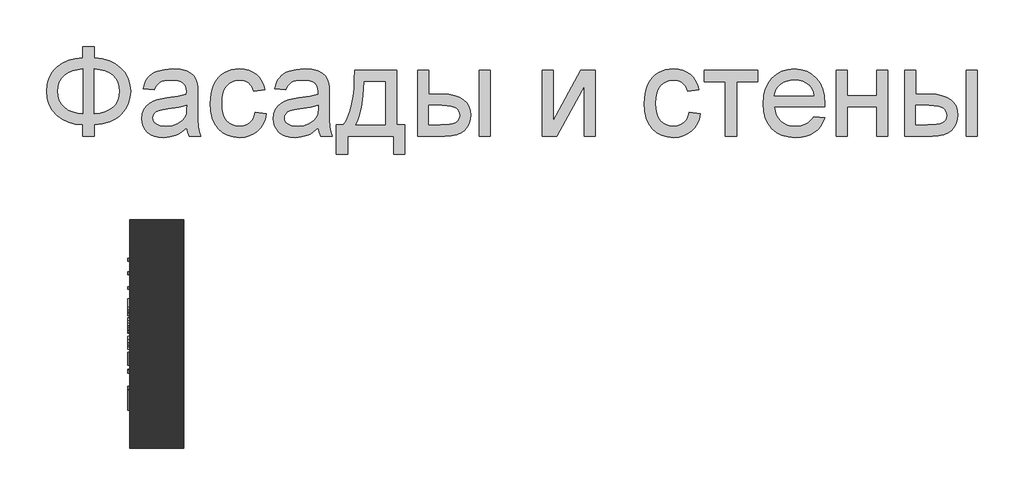
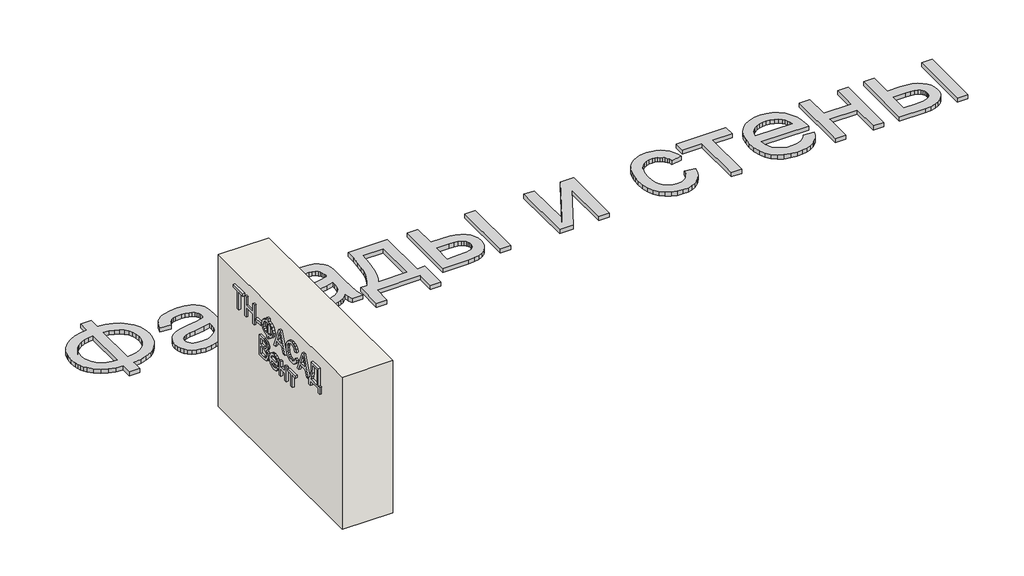
# One storey: 2 proxies, 1 wall.
"""IFC4 building model written with IfcOpenShell, lengths in millimetres."""

from ifc_helpers import new_model, si_unit, frame, origin, origin_with_axes, place, context, project, spatial, polyline, outline, extrude, element, save

model = new_model("IFC4")

# Units and contexts
model_context = context("Model", 3, world=origin())
ifc_project = project(units=[si_unit("LENGTHUNIT", "METRE", prefix="MILLI")], contexts=[model_context])

# Site, building, storey
site = spatial("IfcSite", under=ifc_project)
building = spatial("IfcBuilding", under=site)
storey = spatial("IfcBuildingStorey", under=building, Elevation=0.0)

# Proxies
placement = place(None, origin())
element("IfcBuildingElementProxy", 1, Name="Generic Models", at=placement, inside=storey, context=model_context, shape_type="SweptSolid", body=[
    extrude(outline(polyline([(-1939.8736325, -20885.7211043), (-1939.8736325, -20787.7817103), (-1841.9342386, -20787.7817103), (-1841.9342386, -20885.7211043), (-1772.0723186, -20894.3529698), (-1709.9695132, -20912.2144755), (-1655.6258224, -20939.3056213), (-1609.0412461, -20975.6264073), (-1571.6743546, -21019.0607113), (-1544.9837177, -21067.4924111), (-1528.9693356, -21120.9215067), (-1523.6312083, -21179.3479982), (-1528.8019587, -21236.6028514), (-1544.3142102, -21289.3863505), (-1570.1679625, -21337.6984954), (-1606.3632158, -21381.5392861), (-1628.1416397, -21401.1761824), (-1652.1109076, -21418.4817577), (-1706.6219753, -21446.0989452), (-1769.896419, -21464.3908486), (-1841.9342386, -21473.3574679), (-1841.9342386, -21571.2968619), (-1939.8736325, -21571.2968619), (-1939.8736325, -21473.3574679), (-2005.3060425, -21466.0586398), (-2065.0237272, -21449.518216), (-2119.0266865, -21423.7361966), (-2167.3149204, -21388.7125816), (-2207.0669327, -21345.8939854), (-2222.6837947, -21322.10405), (-2235.4612272, -21296.7270228), (-2245.3992303, -21269.7629041), (-2252.4978039, -21241.2116938), (-2258.1766628, -21179.3479982), (-2252.5157371, -21117.2033486), (-2245.4395801, -21088.5878775), (-2235.5329602, -21061.6103088), (-2222.7958774, -21036.2706426), (-2207.2283318, -21012.5688789), (-2188.8303234, -20990.5050176), (-2167.6018522, -20970.0790588), (-2119.4032845, -20935.3961753), (-2065.382392, -20909.775555), (-2005.5391746, -20893.217198), (-1939.8736325, -20885.7211043)]), holes=[polyline([(-1841.9342386, -20983.6604982), (-1841.9342386, -21375.418074), (-1793.3949393, -21370.2234125), (-1750.3073446, -21359.2303372), (-1712.6714545, -21342.4388481), (-1680.4872689, -21319.8489452), (-1654.7112272, -21291.9627591), (-1636.2997689, -21259.2824206), (-1625.2528939, -21221.8079296), (-1621.5706022, -21179.5392861), (-1625.1871387, -21137.922217), (-1636.036748, -21100.872146), (-1654.1194303, -21068.389073), (-1679.4351855, -21040.4729982), (-1711.2905951, -21017.6977852), (-1748.9922405, -21000.6372975), (-1792.5401216, -20989.2915352), (-1841.9342386, -20983.6604982)]), polyline([(-1939.8736325, -20983.6604982), (-1986.781007, -20988.5861611), (-2028.989873, -20999.3461043), (-2066.5002305, -21015.9403278), (-2099.3120795, -21038.3688316), (-2125.9668498, -21066.2012179), (-2145.0059715, -21099.0070891), (-2156.4294445, -21136.7864452), (-2160.2372689, -21179.5392861), (-2156.4772665, -21221.9035735), (-2145.1972594, -21259.4737085), (-2126.3972476, -21292.2496909), (-2100.077231, -21320.231521), (-2067.5044919, -21342.8692459), (-2029.9463124, -21359.612913), (-1987.4026926, -21370.4625224), (-1939.8736325, -21375.418074), (-1939.8736325, -20983.6604982)])]), origin_with_axes(), (0.0, 0.0, 1.0), 40.0),
    extrude(outline(polyline([(-1033.9342386, -21497.8423164), (-1080.7280359, -21537.964949), (-1104.6449985, -21552.8256261), (-1128.9086704, -21564.2192103), (-1179.5760473, -21578.7092672), (-1233.8300719, -21583.5392861), (-1277.4377305, -21580.6341014), (-1315.677373, -21571.9185475), (-1348.5489995, -21557.3926242), (-1376.0526098, -21537.0563316), (-1397.7697618, -21512.2008628), (-1413.2820132, -21484.1174111), (-1422.589364, -21452.8059764), (-1425.6918143, -21418.2665588), (-1421.0052613, -21377.6657066), (-1406.9456022, -21340.7949679), (-1385.2583389, -21309.2324679), (-1357.6889734, -21284.5563316), (-1325.2895889, -21265.9057634), (-1289.1122689, -21252.4199679), (-1204.3717386, -21237.6908013), (-1104.232534, -21222.1964831), (-1034.5081022, -21204.0241346), (-1033.9342386, -21182.2173164), (-1035.619963, -21158.4737085), (-1040.6771363, -21138.5080361), (-1049.1057585, -21122.3202994), (-1060.9058295, -21109.9104982), (-1081.3018996, -21097.5246081), (-1106.1454128, -21088.6775437), (-1135.4363693, -21083.369305), (-1169.1747689, -21081.5998922), (-1227.5175719, -21086.3103562), (-1250.0895416, -21092.1984362), (-1268.2618901, -21100.4417482), (-1283.1943001, -21111.6858888), (-1296.0464545, -21126.5764547), (-1306.8183532, -21145.1134457), (-1315.5099961, -21167.2968619), (-1413.4493901, -21155.0544376), (-1396.4486799, -21101.4938316), (-1384.810008, -21079.0175058), (-1371.0791249, -21059.4104982), (-1354.6642338, -21042.2782776), (-1334.9735378, -21027.2263126), (-1312.0070369, -21014.2546033), (-1285.764731, -21003.3631497), (-1225.5807821, -20988.5861611), (-1156.5497689, -20983.6604982), (-1090.3402518, -20988.0122975), (-1037.8556401, -21001.0676952), (-998.2829602, -21020.6986138), (-970.8092386, -21044.7769755), (-952.5890681, -21074.5461516), (-940.7770416, -21111.2495134), (-937.1903939, -21145.1074679), (-935.9948446, -21196.9464831), (-935.9948446, -21318.7968619), (-934.7514734, -21424.9377236), (-931.0213598, -21488.94743), (-923.6567764, -21531.0068524), (-911.5099961, -21571.2968619), (-1009.4493901, -21571.2968619), (-1025.1349961, -21537.2476194), (-1033.9342386, -21497.8423164)]), holes=[polyline([(-1033.9342386, -21301.9635285), (-1099.7372689, -21318.2708202), (-1191.9380264, -21331.9957255), (-1242.7488693, -21339.5037747), (-1276.2003371, -21347.8726194), (-1298.1267102, -21358.7282066), (-1314.3622689, -21373.6964831), (-1324.4048825, -21391.6297217), (-1327.7524204, -21411.3801952), (-1325.9292078, -21426.599537), (-1320.45957, -21440.5037747), (-1311.343507, -21453.0929083), (-1298.5810189, -21464.3669376), (-1282.2916604, -21473.6563552), (-1262.5949867, -21480.2916535), (-1212.9796931, -21485.5998922), (-1160.3755264, -21479.7417009), (-1136.3688977, -21472.4189618), (-1113.8925719, -21462.167127), (-1076.2088598, -21436.2715304), (-1050.0024204, -21405.450271), (-1038.3816818, -21373.6964831), (-1034.5081022, -21329.700271), (-1033.9342386, -21301.9635285)])]), origin_with_axes(), (0.0, 0.0, 1.0), 40.0),
    extrude(outline(polyline([(-434.0554507, -21363.1756497), (-336.1160568, -21375.418074), (-346.7684005, -21421.6320299), (-363.4224014, -21462.5257918), (-386.0780596, -21498.0993595), (-414.7353749, -21528.3527331), (-448.1868427, -21552.49685), (-485.2249583, -21569.7426478), (-525.8497215, -21580.0901265), (-570.0611325, -21583.5392861), (-624.9906425, -21578.7272004), (-674.2412935, -21564.2909433), (-717.8130856, -21540.2305148), (-755.7060189, -21506.5459149), (-786.3778347, -21463.8707847), (-808.2862746, -21412.8387653), (-821.4313385, -21353.4498567), (-825.8130264, -21285.7040588), (-823.9419919, -21240.6736966), (-818.3288882, -21198.5485191), (-808.9737154, -21159.3285262), (-795.8764734, -21123.0137179), (-778.9474961, -21090.3333794), (-758.0971174, -21062.0167956), (-733.3253371, -21038.0639665), (-704.6321552, -21018.4748922), (-673.3147428, -21003.2435948), (-640.6702708, -20992.3640967), (-606.698739, -20985.8363978), (-571.4001477, -20983.6604982), (-527.9479104, -20986.6493713), (-488.6442291, -20995.6159906), (-453.4891036, -21010.5603562), (-422.482534, -21031.4824679), (-396.150562, -21057.9041062), (-375.0192291, -21089.3470513), (-359.0885354, -21125.8113031), (-348.358481, -21167.2968619), (-446.2978749, -21179.5392861), (-453.9434123, -21156.6624513), (-464.0637367, -21136.8103562), (-476.6588479, -21119.9830006), (-491.7287461, -21106.1803846), (-508.8908555, -21095.4264192), (-527.7626003, -21087.7450153), (-548.3439805, -21083.1361729), (-570.6349961, -21081.5998922), (-603.9131093, -21084.6246317), (-633.927373, -21093.6988505), (-660.6777873, -21108.8225484), (-684.1643522, -21129.9957255), (-703.2871623, -21157.7085569), (-716.9463124, -21192.4512179), (-725.1418025, -21234.2237085), (-727.8736325, -21283.0260285), (-725.20158, -21332.5636114), (-717.1854223, -21374.8202994), (-703.8251595, -21409.7960924), (-685.1207916, -21437.4909906), (-662.1004909, -21458.5386351), (-635.7924299, -21473.5726668), (-606.1966084, -21482.5930858), (-573.3130264, -21485.5998922), (-546.8136775, -21483.7228799), (-522.5978276, -21478.0918429), (-500.6654767, -21468.7067814), (-481.0166249, -21455.5676952), (-464.2012248, -21438.5311185), (-450.7692291, -21417.4535853), (-440.7206377, -21392.3350958), (-434.0554507, -21363.1756497)])), origin_with_axes(), (0.0, 0.0, 1.0), 40.0),
    extrude(outline(polyline([(116.8536402, -21497.8423164), (70.0598429, -21537.964949), (46.1428803, -21552.8256261), (21.8792084, -21564.2192103), (-28.7881685, -21578.7092672), (-83.0421931, -21583.5392861), (-126.6498517, -21580.6341014), (-164.8894943, -21571.9185475), (-197.7611207, -21557.3926242), (-225.264731, -21537.0563316), (-246.981883, -21512.2008628), (-262.4941344, -21484.1174111), (-271.8014853, -21452.8059764), (-274.9039355, -21418.2665588), (-270.2173825, -21377.6657066), (-256.1577234, -21340.7949679), (-234.4704602, -21309.2324679), (-206.9010946, -21284.5563316), (-174.5017102, -21265.9057634), (-138.3243901, -21252.4199679), (-53.5838598, -21237.6908013), (46.5553448, -21222.1964831), (116.2797766, -21204.0241346), (116.8536402, -21182.2173164), (115.1679158, -21158.4737085), (110.1107425, -21138.5080361), (101.6821203, -21122.3202994), (89.8820493, -21109.9104982), (69.4859792, -21097.5246081), (44.642466, -21088.6775437), (15.3515095, -21083.369305), (-18.3868901, -21081.5998922), (-76.7296931, -21086.3103562), (-99.3016628, -21092.1984362), (-117.4740113, -21100.4417482), (-132.4064213, -21111.6858888), (-145.2585757, -21126.5764547), (-156.0304744, -21145.1134457), (-164.7221174, -21167.2968619), (-262.6615113, -21155.0544376), (-245.6608011, -21101.4938316), (-234.0221292, -21079.0175058), (-220.2912461, -21059.4104982), (-203.876355, -21042.2782776), (-184.185659, -21027.2263126), (-161.2191581, -21014.2546033), (-134.9768522, -21003.3631497), (-74.7929033, -20988.5861611), (-5.7618901, -20983.6604982), (60.447627, -20988.0122975), (112.9322387, -21001.0676952), (152.5049186, -21020.6986138), (179.9786402, -21044.7769755), (198.1988107, -21074.5461516), (210.0108372, -21111.2495134), (213.5974849, -21145.1074679), (214.7930342, -21196.9464831), (214.7930342, -21318.7968619), (216.0364054, -21424.9377236), (219.766519, -21488.94743), (227.1311023, -21531.0068524), (239.2778826, -21571.2968619), (141.3384887, -21571.2968619), (125.6528826, -21537.2476194), (116.8536402, -21497.8423164)]), holes=[polyline([(116.8536402, -21301.9635285), (51.0506099, -21318.2708202), (-41.1501477, -21331.9957255), (-91.9609905, -21339.5037747), (-125.4124583, -21347.8726194), (-147.3388314, -21358.7282066), (-163.5743901, -21373.6964831), (-173.6170037, -21391.6297217), (-176.9645416, -21411.3801952), (-175.141329, -21426.599537), (-169.6716912, -21440.5037747), (-160.5556282, -21453.0929083), (-147.7931401, -21464.3669376), (-131.5037817, -21473.6563552), (-111.8071079, -21480.2916535), (-62.1918143, -21485.5998922), (-9.5876477, -21479.7417009), (14.4189811, -21472.4189618), (36.8953069, -21462.167127), (74.579019, -21436.2715304), (100.7854584, -21405.450271), (112.406197, -21373.6964831), (116.2797766, -21329.700271), (116.8536402, -21301.9635285)])]), origin_with_axes(), (0.0, 0.0, 1.0), 40.0),
    extrude(outline(polyline([(435.1566705, -20995.9029225), (802.4293978, -20995.9029225), (802.4293978, -21473.3574679), (875.8839432, -21473.3574679), (875.8839432, -21730.448377), (777.9445493, -21730.448377), (777.9445493, -21571.2968619), (373.9445493, -21571.2968619), (373.9445493, -21730.448377), (276.0051554, -21730.448377), (276.0051554, -21473.3574679), (337.2172766, -21473.3574679), (361.1342392, -21436.3970631), (381.7156194, -21392.9448259), (398.9614172, -21343.0007563), (412.8716326, -21286.5648543), (423.4462657, -21223.6371199), (430.6853164, -21154.2175531), (434.5887846, -21078.306154), (435.1566705, -20995.9029225)]), holes=[polyline([(520.8536402, -21093.8423164), (512.8195493, -21213.7559054), (497.8990948, -21316.979627), (476.0922766, -21403.5134812), (462.6064811, -21440.521708), (447.3990948, -21473.3574679), (704.4900039, -21473.3574679), (704.4900039, -21093.8423164), (520.8536402, -21093.8423164)])]), origin_with_axes(), (0.0, 0.0, 1.0), 40.0),
    extrude(outline(polyline([(986.0657614, -20995.9029225), (1084.0051554, -20995.9029225), (1084.0051554, -21204.0241346), (1205.0903826, -21204.0241346), (1260.8089551, -21207.0907184), (1309.7487633, -21216.2904698), (1351.9098074, -21231.6233888), (1387.2920872, -21253.0894755), (1415.2858727, -21279.9474892), (1435.2814338, -21311.4561895), (1447.2787704, -21347.6155763), (1451.2778826, -21388.4256497), (1447.924367, -21424.8361019), (1437.8638201, -21458.5087463), (1421.096242, -21489.443583), (1397.6216326, -21517.6406119), (1366.7824399, -21541.1152212), (1327.9211118, -21557.8827994), (1281.0376483, -21567.9433462), (1226.1320493, -21571.2968619), (986.0657614, -21571.2968619), (986.0657614, -20995.9029225)]), holes=[polyline([(1084.0051554, -21473.3574679), (1184.6225796, -21473.3574679), (1262.6202122, -21468.2166062), (1291.8274802, -21461.790529), (1314.5070493, -21452.794021), (1331.495804, -21441.0716606), (1343.6306289, -21426.4680266), (1350.9115237, -21408.983119), (1353.3384887, -21388.6169376), (1351.5391871, -21372.1542245), (1346.1412823, -21356.6240399), (1337.1447742, -21342.0263836), (1324.5496629, -21328.3612558), (1305.8094286, -21316.8122501), (1278.3775512, -21308.5629603), (1242.2540308, -21303.6133865), (1197.4388675, -21301.9635285), (1084.0051554, -21301.9635285), (1084.0051554, -21473.3574679)])]), origin_with_axes(), (0.0, 0.0, 1.0), 40.0),
    extrude(outline(polyline([(1524.7324281, -20995.9029225), (1622.671822, -20995.9029225), (1622.671822, -21571.2968619), (1524.7324281, -21571.2968619), (1524.7324281, -20995.9029225)])), origin_with_axes(), (0.0, 0.0, 1.0), 40.0),
    extrude(outline(polyline([(2075.641519, -20995.9029225), (2173.5809129, -20995.9029225), (2173.5809129, -21434.7173164), (2414.2210645, -20995.9029225), (2540.8536402, -20995.9029225), (2540.8536402, -21571.2968619), (2442.9142463, -21571.2968619), (2442.9142463, -21135.1604982), (2203.8043978, -21571.2968619), (2075.641519, -21571.2968619), (2075.641519, -20995.9029225)])), origin_with_axes(), (0.0, 0.0, 1.0), 40.0),
    extrude(outline(polyline([(3361.0960645, -21363.1756497), (3459.0354584, -21375.418074), (3448.3831147, -21421.6320299), (3431.7291137, -21462.5257918), (3409.0734556, -21498.0993595), (3380.4161402, -21528.3527331), (3346.9646724, -21552.49685), (3309.9265569, -21569.7426478), (3269.3017936, -21580.0901265), (3225.0903826, -21583.5392861), (3170.1608727, -21578.7272004), (3120.9102217, -21564.2909433), (3077.3384295, -21540.2305148), (3039.4454963, -21506.5459149), (3008.7736805, -21463.8707847), (2986.8652406, -21412.8387653), (2973.7201767, -21353.4498567), (2969.3384887, -21285.7040588), (2971.2095233, -21240.6736966), (2976.822627, -21198.5485191), (2986.1777998, -21159.3285262), (2999.2750417, -21123.0137179), (3016.204019, -21090.3333794), (3037.0543978, -21062.0167956), (3061.8261781, -21038.0639665), (3090.5193599, -21018.4748922), (3121.8367723, -21003.2435948), (3154.4812444, -20992.3640967), (3188.4527761, -20985.8363978), (3223.7513675, -20983.6604982), (3267.2036047, -20986.6493713), (3306.5072861, -20995.6159906), (3341.6624115, -21010.5603562), (3372.6689811, -21031.4824679), (3399.0009532, -21057.9041062), (3420.1322861, -21089.3470513), (3436.0629797, -21125.8113031), (3446.7930342, -21167.2968619), (3348.8536402, -21179.5392861), (3341.2081028, -21156.6624513), (3331.0877785, -21136.8103562), (3318.4926672, -21119.9830006), (3303.422769, -21106.1803846), (3286.2606596, -21095.4264192), (3267.3889148, -21087.7450153), (3246.8075346, -21083.1361729), (3224.516519, -21081.5998922), (3191.2384058, -21084.6246317), (3161.2241421, -21093.6988505), (3134.4737278, -21108.8225484), (3110.9871629, -21129.9957255), (3091.8643528, -21157.7085569), (3078.2052027, -21192.4512179), (3070.0097127, -21234.2237085), (3067.2778826, -21283.0260285), (3069.9499352, -21332.5636114), (3077.9660929, -21374.8202994), (3091.3263557, -21409.7960924), (3110.0307236, -21437.4909906), (3133.0510242, -21458.5386351), (3159.3590853, -21473.5726668), (3188.9549068, -21482.5930858), (3221.8384887, -21485.5998922), (3248.3378377, -21483.7228799), (3272.5536876, -21478.0918429), (3294.4860384, -21468.7067814), (3314.1348902, -21455.5676952), (3330.9502903, -21438.5311185), (3344.3822861, -21417.4535853), (3354.4308774, -21392.3350958), (3361.0960645, -21363.1756497)])), origin_with_axes(), (0.0, 0.0, 1.0), 40.0),
    extrude(outline(polyline([(3495.7627311, -20995.9029225), (3960.9748523, -20995.9029225), (3960.9748523, -21093.8423164), (3777.3384887, -21093.8423164), (3777.3384887, -21571.2968619), (3679.3990948, -21571.2968619), (3679.3990948, -21093.8423164), (3495.7627311, -21093.8423164), (3495.7627311, -20995.9029225)])), origin_with_axes(), (0.0, 0.0, 1.0), 40.0),
    extrude(outline(polyline([(4449.5240948, -21399.9029225), (4545.5506099, -21412.1453467), (4530.827421, -21450.6061658), (4510.9514148, -21484.4999869), (4485.9225914, -21513.8268098), (4455.7409508, -21538.5866346), (4420.7173358, -21558.2534196), (4381.1625891, -21572.3011232), (4337.0767108, -21580.7297454), (4288.4597008, -21583.5392861), (4227.6899328, -21578.6913339), (4173.5435076, -21564.1474774), (4126.0204253, -21539.9077165), (4085.1206857, -21505.9720513), (4052.231126, -21463.2849656), (4028.7385834, -21412.7909433), (4014.6430578, -21354.4899845), (4009.9445493, -21288.3820891), (4014.6908798, -21220.0325389), (4028.9298713, -21159.7888126), (4052.6615237, -21107.6509102), (4085.8858372, -21063.6188316), (4126.6779773, -21028.6370607), (4173.1131099, -21003.6500816), (4225.1912349, -20988.6578941), (4282.9123523, -20983.6604982), (4338.7743907, -20988.6459386), (4389.2923239, -21003.6022596), (4434.4661521, -21028.5294613), (4474.2958751, -21063.4275437), (4506.8088367, -21107.3639783), (4530.0323807, -21159.4062369), (4543.9665072, -21219.5543192), (4548.611216, -21287.8082255), (4548.0373523, -21314.2059528), (4107.8839432, -21314.2059528), (4113.5568244, -21353.2884575), (4124.8368315, -21387.5170323), (4141.7239646, -21416.8916772), (4164.2182236, -21441.4123922), (4191.0762373, -21460.7444234), (4221.0546345, -21474.5530172), (4254.1534153, -21482.8381734), (4290.3725796, -21485.5998922), (4342.4985266, -21480.4829414), (4386.3990948, -21465.1320891), (4405.2648618, -21453.3798401), (4422.0742842, -21438.590896), (4436.8273618, -21420.7652567), (4449.5240948, -21399.9029225)]), holes=[polyline([(4107.8839432, -21216.2665588), (4450.671822, -21216.2665588), (4445.6385597, -21188.5537274), (4437.4251364, -21164.5231876), (4426.0315522, -21144.1749395), (4411.4578069, -21127.5089831), (4384.7492368, -21107.4237558), (4354.3583751, -21093.0771649), (4320.2852217, -21084.4692103), (4282.5297766, -21081.5998922), (4248.0919807, -21083.889369), (4216.5115474, -21090.7577994), (4187.7884769, -21102.2051834), (4161.922769, -21118.231521), (4140.2175725, -21138.0955716), (4123.9760361, -21161.0560948), (4113.1981596, -21187.1130906), (4107.8839432, -21216.2665588)])]), origin_with_axes(), (0.0, 0.0, 1.0), 40.0),
    extrude(outline(polyline([(4646.5506099, -20995.9029225), (4744.4900039, -20995.9029225), (4744.4900039, -21216.2665588), (5001.5809129, -21216.2665588), (5001.5809129, -20995.9029225), (5099.5203069, -20995.9029225), (5099.5203069, -21571.2968619), (5001.5809129, -21571.2968619), (5001.5809129, -21314.2059528), (4744.4900039, -21314.2059528), (4744.4900039, -21571.2968619), (4646.5506099, -21571.2968619), (4646.5506099, -20995.9029225)])), origin_with_axes(), (0.0, 0.0, 1.0), 40.0),
    extrude(outline(polyline([(5246.4293978, -20995.9029225), (5344.3687917, -20995.9029225), (5344.3687917, -21204.0241346), (5465.454019, -21204.0241346), (5521.1725914, -21207.0907184), (5570.1123997, -21216.2904698), (5612.2734437, -21231.6233888), (5647.6557236, -21253.0894755), (5675.6495091, -21279.9474892), (5695.6450701, -21311.4561895), (5707.6424068, -21347.6155763), (5711.641519, -21388.4256497), (5708.2880034, -21424.8361019), (5698.2274565, -21458.5087463), (5681.4598784, -21489.443583), (5657.985269, -21517.6406119), (5627.1460763, -21541.1152212), (5588.2847482, -21557.8827994), (5541.4012846, -21567.9433462), (5486.4956857, -21571.2968619), (5246.4293978, -21571.2968619), (5246.4293978, -20995.9029225)]), holes=[polyline([(5344.3687917, -21473.3574679), (5444.986216, -21473.3574679), (5522.9838486, -21468.2166062), (5552.1911165, -21461.790529), (5574.8706857, -21452.794021), (5591.8594404, -21441.0716606), (5603.9942652, -21426.4680266), (5611.2751601, -21408.983119), (5613.7021251, -21388.6169376), (5611.9028235, -21372.1542245), (5606.5049186, -21356.6240399), (5597.5084106, -21342.0263836), (5584.9132993, -21328.3612558), (5566.1730649, -21316.8122501), (5538.7411876, -21308.5629603), (5502.6176672, -21303.6133865), (5457.8025039, -21301.9635285), (5344.3687917, -21301.9635285), (5344.3687917, -21473.3574679)])]), origin_with_axes(), (0.0, 0.0, 1.0), 40.0),
    extrude(outline(polyline([(5785.0960645, -20995.9029225), (5883.0354584, -20995.9029225), (5883.0354584, -21571.2968619), (5785.0960645, -21571.2968619), (5785.0960645, -20995.9029225)])), origin_with_axes(), (0.0, 0.0, 1.0), 40.0),
])
element("IfcBuildingElementProxy", 2, Name="Generic Models", at=placement, inside=storey, context=model_context, shape_type="SweptSolid", body=[
    extrude(outline(polyline([(-22641.3968391, 1181.1112414), (-22666.0122237, 1181.1112414), (-22666.0122237, 1353.4189337), (-22730.6276083, 1353.4189337), (-22730.6276083, 1378.0343184), (-22576.7814545, 1378.0343184), (-22576.7814545, 1353.4189337), (-22641.3968391, 1353.4189337), (-22641.3968391, 1181.1112414)])), frame((-1548.6044048, 0.0, 0.0), z_axis=(1.0, 0.0, 0.0), x_axis=(0.0, 1.0, 0.0)), (0.0, 0.0, 1.0), 20.0),
    extrude(outline(polyline([(-22758.319916, 1181.1112414), (-22782.9353006, 1181.1112414), (-22782.9353006, 1273.4189337), (-22887.5506853, 1273.4189337), (-22887.5506853, 1181.1112414), (-22912.1660699, 1181.1112414), (-22912.1660699, 1378.0343184), (-22887.5506853, 1378.0343184), (-22887.5506853, 1298.0343184), (-22782.9353006, 1298.0343184), (-22782.9353006, 1378.0343184), (-22758.319916, 1378.0343184), (-22758.319916, 1181.1112414)])), frame((-1548.6044048, 0.0, 0.0), z_axis=(1.0, 0.0, 0.0), x_axis=(0.0, 1.0, 0.0)), (0.0, 0.0, 1.0), 20.0),
    extrude(outline(polyline([(-1548.6044048, -23016.7814545), (-1548.6044048, -22939.8583776), (-1528.6044048, -22939.8583776), (-1528.6044048, -23016.7814545), (-1548.6044048, -23016.7814545)])), frame((0.0, 0.0, 1239.5727799), z_axis=(0.0, 0.0, 1.0), x_axis=(1.0, 0.0, 0.0)), (0.0, 0.0, 1.0), 24.6153846),
    extrude(outline(polyline([(-23118.319916, 1353.4189337), (-23086.7754449, 1347.3732607), (-23061.0843391, 1332.2170107), (-23051.124904, 1321.5379241), (-23044.0110218, 1309.212203), (-23038.319916, 1279.6208568), (-23044.0290506, 1250.1196549), (-23051.1654689, 1237.7623833), (-23061.1564545, 1227.0006645), (-23086.8655891, 1211.7182126), (-23118.319916, 1205.726626), (-23118.319916, 1181.1112414), (-23142.9353006, 1181.1112414), (-23142.9353006, 1205.726626), (-23176.9437141, 1212.5775876), (-23202.1420314, 1228.8035491), (-23217.7369833, 1251.9646068), (-23222.9353006, 1279.6208568), (-23217.5687141, 1307.7338376), (-23201.4689545, 1330.8227799), (-23176.102368, 1346.7602799), (-23142.9353006, 1353.4189337), (-23142.9353006, 1378.0343184), (-23118.319916, 1378.0343184), (-23118.319916, 1353.4189337)]), holes=[polyline([(-23118.319916, 1328.8035491), (-23118.319916, 1230.3420107), (-23095.6816949, 1234.3143664), (-23078.055493, 1244.212203), (-23066.7153487, 1259.4826357), (-23062.9353006, 1279.5727799), (-23066.7634256, 1299.8131645), (-23078.2478006, 1315.0535491), (-23095.9220795, 1324.8612414), (-23118.319916, 1328.8035491)]), polyline([(-23142.9353006, 1328.8035491), (-23166.2946756, 1324.5367222), (-23183.7766468, 1314.524703), (-23194.6840987, 1299.3444145), (-23198.319916, 1279.5727799), (-23194.617993, 1259.5307126), (-23183.5122237, 1244.3083568), (-23165.9641468, 1234.4105203), (-23142.9353006, 1230.3420107), (-23142.9353006, 1328.8035491)])]), frame((-1548.6044048, 0.0, 0.0), z_axis=(1.0, 0.0, 0.0), x_axis=(0.0, 1.0, 0.0)), (0.0, 0.0, 1.0), 20.0),
    extrude(outline(polyline([(-23233.8487622, 1181.1112414), (-23259.8583776, 1181.1112414), (-23282.3583776, 1242.649703), (-23363.4641468, 1242.649703), (-23386.0122237, 1181.1112414), (-23412.0218391, 1181.1112414), (-23333.4160699, 1378.0343184), (-23312.4545314, 1378.0343184), (-23233.8487622, 1181.1112414)]), holes=[polyline([(-23291.3968391, 1267.2650876), (-23310.6756853, 1319.9093184), (-23322.9353006, 1353.4189337), (-23336.7333776, 1315.6785491), (-23354.4737622, 1267.2650876), (-23291.3968391, 1267.2650876)])]), frame((-1548.6044048, 0.0, 0.0), z_axis=(1.0, 0.0, 0.0), x_axis=(0.0, 1.0, 0.0)), (0.0, 0.0, 1.0), 20.0),
    extrude(outline(polyline([(-23576.7814545, 1251.1112414), (-23568.8187141, 1230.0295107), (-23555.8920314, 1214.8612414), (-23538.7706372, 1205.7025876), (-23518.2237622, 1202.649703), (-23500.5975603, 1204.8912895), (-23484.257416, 1211.6160491), (-23470.6276083, 1222.8720587), (-23461.132416, 1238.7073953), (-23455.5615026, 1258.3708568), (-23453.7045314, 1281.1112414), (-23455.273041, 1299.680953), (-23459.9785699, 1317.6977799), (-23468.554291, 1333.6352799), (-23481.7333776, 1345.9670107), (-23499.101166, 1353.8636453), (-23520.242993, 1356.4958568), (-23538.5843391, 1354.1220587), (-23553.5122237, 1347.0006645), (-23565.1708776, 1334.6869626), (-23573.7045314, 1316.7362414), (-23598.319916, 1322.601626), (-23587.4485218, 1347.3131645), (-23570.507416, 1365.774703), (-23548.1937141, 1377.2771068), (-23521.2045314, 1381.1112414), (-23496.4689545, 1378.148501), (-23473.8968391, 1369.2602799), (-23454.8643872, 1354.6629241), (-23440.7478006, 1334.5727799), (-23432.0038103, 1309.7771068), (-23429.0891468, 1281.0631645), (-23431.6672718, 1253.8396068), (-23439.4016468, 1228.4189337), (-23452.069916, 1206.7963376), (-23469.4497237, 1190.9670107), (-23492.1240026, 1181.2674914), (-23520.6756853, 1178.0343184), (-23548.8006853, 1182.3071549), (-23572.2141468, 1195.1256645), (-23590.038666, 1216.0811934), (-23601.3968391, 1244.7650876), (-23576.7814545, 1251.1112414)])), frame((-1548.6044048, 0.0, 0.0), z_axis=(1.0, 0.0, 0.0), x_axis=(0.0, 1.0, 0.0)), (0.0, 0.0, 1.0), 20.0),
    extrude(outline(polyline([(-23612.3103006, 1181.1112414), (-23638.319916, 1181.1112414), (-23660.819916, 1242.649703), (-23741.9256853, 1242.649703), (-23764.4737622, 1181.1112414), (-23790.4833776, 1181.1112414), (-23711.8776083, 1378.0343184), (-23690.9160699, 1378.0343184), (-23612.3103006, 1181.1112414)]), holes=[polyline([(-23669.8583776, 1267.2650876), (-23689.1372237, 1319.9093184), (-23701.3968391, 1353.4189337), (-23715.194916, 1315.6785491), (-23732.9353006, 1267.2650876), (-23669.8583776, 1267.2650876)])]), frame((-1548.6044048, 0.0, 0.0), z_axis=(1.0, 0.0, 0.0), x_axis=(0.0, 1.0, 0.0)), (0.0, 0.0, 1.0), 20.0),
    extrude(outline(polyline([(-23835.242993, 1378.0343184), (-23835.242993, 1349.524703), (-23833.7045314, 1299.9543905), (-23829.0891468, 1259.4646068), (-23821.3968391, 1228.055352), (-23810.6276083, 1205.726626), (-23795.242993, 1205.726626), (-23795.242993, 1134.9573953), (-23819.8583776, 1134.9573953), (-23819.8583776, 1181.1112414), (-23946.0122237, 1181.1112414), (-23946.0122237, 1134.9573953), (-23970.6276083, 1134.9573953), (-23970.6276083, 1205.726626), (-23952.1660699, 1205.726626), (-23952.1660699, 1378.0343184), (-23835.242993, 1378.0343184)]), holes=[polyline([(-23927.5506853, 1353.4189337), (-23927.5506853, 1205.726626), (-23835.242993, 1205.726626), (-23847.4545314, 1237.0847991), (-23854.8583776, 1276.0631645), (-23859.8583776, 1343.5150876), (-23859.8583776, 1353.4189337), (-23927.5506853, 1353.4189337)])]), frame((-1548.6044048, 0.0, 0.0), z_axis=(1.0, 0.0, 0.0), x_axis=(0.0, 1.0, 0.0)), (0.0, 0.0, 1.0), 20.0),
    extrude(outline(polyline([(-22992.1660699, 938.0343184), (-23066.7333776, 938.0343184), (-23098.2958776, 941.4237414), (-23119.7141468, 951.4237414), (-23134.0651083, 970.2698953), (-23139.8583776, 996.7362414), (-23137.7369833, 1013.2146068), (-23131.3728006, 1027.3612414), (-23121.0663103, 1038.4429722), (-23107.117993, 1045.726626), (-23118.7946756, 1053.4009049), (-23127.0939545, 1063.1545107), (-23132.0518872, 1074.3023472), (-23133.7045314, 1086.1593184), (-23131.7393872, 1099.0439337), (-23125.8439545, 1111.351626), (-23116.4809737, 1121.8143664), (-23104.1131853, 1129.164126), (-23087.977368, 1133.509078), (-23067.3103006, 1134.9573953), (-22992.1660699, 1134.9573953), (-22992.1660699, 938.0343184)]), holes=[polyline([(-23016.7814545, 1054.9573953), (-23016.7814545, 1110.3420107), (-23058.319916, 1110.3420107), (-23089.9545314, 1107.7698953), (-23104.1372237, 1098.274703), (-23109.0891468, 1082.2170107), (-23103.7766468, 1066.1833568), (-23087.9833776, 1057.0727799), (-23061.7333776, 1054.9573953), (-23016.7814545, 1054.9573953)]), polyline([(-23016.7814545, 962.649703), (-23016.7814545, 1030.3420107), (-23064.8583776, 1030.3420107), (-23095.2670314, 1027.0487414), (-23104.3595795, 1022.5475395), (-23110.5314545, 1015.6304722), (-23115.242993, 996.4958568), (-23111.2285699, 979.9093184), (-23100.9881853, 968.9718184), (-23085.5314545, 963.6112414), (-23067.2622237, 962.649703), (-23016.7814545, 962.649703)])]), frame((-1548.6044048, 0.0, 0.0), z_axis=(1.0, 0.0, 0.0), x_axis=(0.0, 1.0, 0.0)), (0.0, 0.0, 1.0), 20.0),
    extrude(outline(polyline([(-23271.8776083, 981.1112414), (-23264.9785699, 971.3876837), (-23256.0122237, 964.7170107), (-23231.8776083, 959.5727799), (-23214.4557333, 962.3492222), (-23200.1708776, 970.6785491), (-23190.273041, 984.2242222), (-23186.0122237, 1002.649703), (-23296.6372237, 1002.649703), (-23296.7814545, 1009.2843184), (-23292.1119833, 1041.555953), (-23278.1035699, 1065.6785491), (-23256.7393872, 1080.7146068), (-23230.0026083, 1085.726626), (-23202.4064545, 1080.7025876), (-23180.4833776, 1065.6304722), (-23166.1684737, 1041.4597991), (-23161.3968391, 1009.1400876), (-23166.1203968, 977.8720587), (-23180.2910699, 954.4525876), (-23202.5146276, 939.8311934), (-23231.3968391, 934.9573953), (-23254.696118, 937.7819145), (-23273.4401083, 946.2554722), (-23287.3163103, 959.8492222), (-23296.0122237, 978.0343184), (-23271.8776083, 981.1112414)]), holes=[polyline([(-23186.0122237, 1027.2650876), (-23190.0566949, 1041.1412895), (-23199.5939545, 1051.9045107), (-23213.3139064, 1058.8095587), (-23229.9064545, 1061.1112414), (-23247.9593391, 1058.226626), (-23262.3103006, 1049.5727799), (-23268.836743, 1040.2698953), (-23272.1660699, 1027.2650876), (-23186.0122237, 1027.2650876)])]), frame((-1548.6044048, 0.0, 0.0), z_axis=(1.0, 0.0, 0.0), x_axis=(0.0, 1.0, 0.0)), (0.0, 0.0, 1.0), 20.0),
    extrude(outline(polyline([(-23321.3968391, 1082.649703), (-23321.3968391, 938.0343184), (-23346.0122237, 938.0343184), (-23346.0122237, 1002.649703), (-23410.6276083, 1002.649703), (-23410.6276083, 938.0343184), (-23435.242993, 938.0343184), (-23435.242993, 1082.649703), (-23410.6276083, 1082.649703), (-23410.6276083, 1027.2650876), (-23346.0122237, 1027.2650876), (-23346.0122237, 1082.649703), (-23321.3968391, 1082.649703)])), frame((-1548.6044048, 0.0, 0.0), z_axis=(1.0, 0.0, 0.0), x_axis=(0.0, 1.0, 0.0)), (0.0, 0.0, 1.0), 20.0),
    extrude(outline(polyline([(-23459.8583776, 1082.649703), (-23459.8583776, 1058.0343184), (-23506.0122237, 1058.0343184), (-23506.0122237, 938.0343184), (-23530.6276083, 938.0343184), (-23530.6276083, 1058.0343184), (-23576.7814545, 1058.0343184), (-23576.7814545, 1082.649703), (-23459.8583776, 1082.649703)])), frame((-1548.6044048, 0.0, 0.0), z_axis=(1.0, 0.0, 0.0), x_axis=(0.0, 1.0, 0.0)), (0.0, 0.0, 1.0), 20.0),
])

# Wall
element("IfcWall", 3, at=placement, inside=storey, context=model_context, shape_type="SweptSolid", body=[
    extrude(outline(polyline([(-1058.6044048, -22302.6148653), (-1058.6044048, -24302.6148653), (-1528.6044048, -24302.6148653), (-1528.6044048, -22302.6148653), (-1058.6044048, -22302.6148653)])), origin_with_axes(), (0.0, 0.0, 1.0), 1500.0),
])

save(model, "model.ifc")
